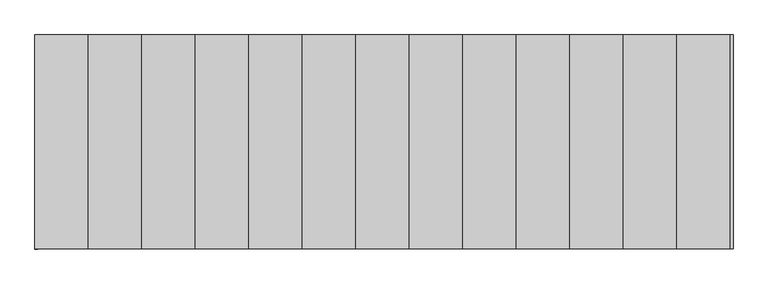
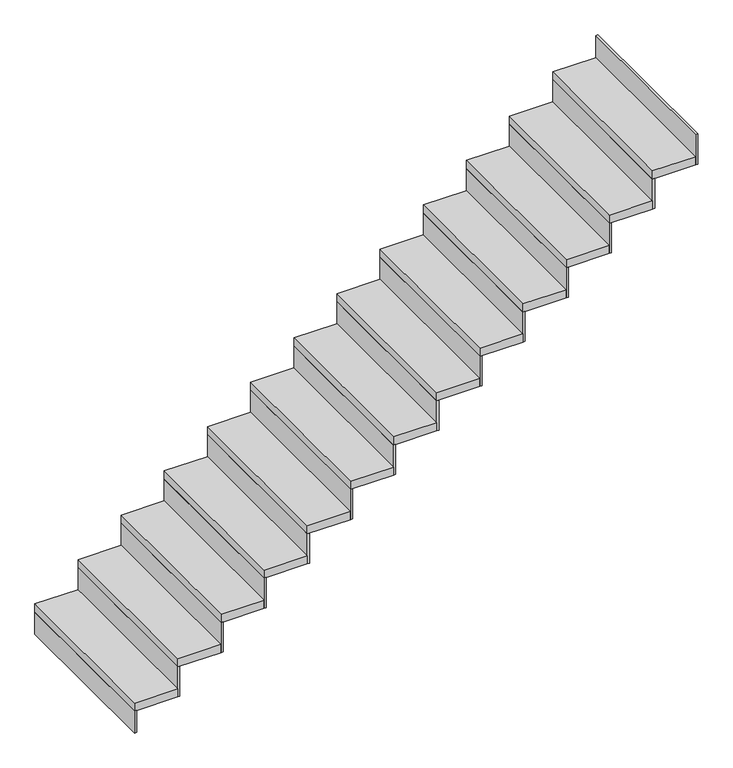
"""IFC4 building model written with IfcOpenShell, lengths in millimetres: stair flight geometry."""

from ifc_helpers import new_model, si_unit, frame, origin, origin_with_axes, place, context, project, spatial, polyline, outline, extrude, source, transform, mapped, element, save


def stair_flight_32c0183b(model_context):
    return source(origin(), model_context, "Body", "SweptSolid", [
        extrude(outline(polyline([(15204.8210972, -7049.7973932), (15192.3210972, -7049.7973932), (15192.3210972, -6049.7973932), (15204.8210972, -6049.7973932), (15204.8210972, -7049.7973932)])), origin_with_axes(), (0.0, 0.0, 1.0), 133.8839286),
        extrude(outline(polyline([(15442.3210972, -6049.7973932), (15442.3210972, -7049.7973932), (15192.3210972, -7049.7973932), (15192.3210972, -6049.7973932), (15442.3210972, -6049.7973932)])), frame((0.0, 0.0, 133.8839286), z_axis=(0.0, 0.0, 1.0), x_axis=(1.0, 0.0, 0.0)), (0.0, 0.0, 1.0), 50.0),
        extrude(outline(polyline([(15454.8210972, -7049.7973932), (15442.3210972, -7049.7973932), (15442.3210972, -6049.7973932), (15454.8210972, -6049.7973932), (15454.8210972, -7049.7973932)])), frame((0.0, 0.0, 133.8839286), z_axis=(0.0, 0.0, 1.0), x_axis=(1.0, 0.0, 0.0)), (0.0, 0.0, 1.0), 183.8839286),
        extrude(outline(polyline([(15692.3210972, -6049.7973932), (15692.3210972, -7049.7973932), (15442.3210972, -7049.7973932), (15442.3210972, -6049.7973932), (15692.3210972, -6049.7973932)])), frame((0.0, 0.0, 317.7678571), z_axis=(0.0, 0.0, 1.0), x_axis=(1.0, 0.0, 0.0)), (0.0, 0.0, 1.0), 50.0),
        extrude(outline(polyline([(15704.8210972, -7049.7973932), (15692.3210972, -7049.7973932), (15692.3210972, -6049.7973932), (15704.8210972, -6049.7973932), (15704.8210972, -7049.7973932)])), frame((0.0, 0.0, 317.7678571), z_axis=(0.0, 0.0, 1.0), x_axis=(1.0, 0.0, 0.0)), (0.0, 0.0, 1.0), 183.8839286),
        extrude(outline(polyline([(15942.3210972, -6049.7973932), (15942.3210972, -7049.7973932), (15692.3210972, -7049.7973932), (15692.3210972, -6049.7973932), (15942.3210972, -6049.7973932)])), frame((0.0, 0.0, 501.6517857), z_axis=(0.0, 0.0, 1.0), x_axis=(1.0, 0.0, 0.0)), (0.0, 0.0, 1.0), 50.0),
        extrude(outline(polyline([(15954.8210972, -7049.7973932), (15942.3210972, -7049.7973932), (15942.3210972, -6049.7973932), (15954.8210972, -6049.7973932), (15954.8210972, -7049.7973932)])), frame((0.0, 0.0, 501.6517857), z_axis=(0.0, 0.0, 1.0), x_axis=(1.0, 0.0, 0.0)), (0.0, 0.0, 1.0), 183.8839286),
        extrude(outline(polyline([(16192.3210972, -6049.7973932), (16192.3210972, -7049.7973932), (15942.3210972, -7049.7973932), (15942.3210972, -6049.7973932), (16192.3210972, -6049.7973932)])), frame((0.0, 0.0, 685.5357143), z_axis=(0.0, 0.0, 1.0), x_axis=(1.0, 0.0, 0.0)), (0.0, 0.0, 1.0), 50.0),
        extrude(outline(polyline([(16204.8210972, -7049.7973932), (16192.3210972, -7049.7973932), (16192.3210972, -6049.7973932), (16204.8210972, -6049.7973932), (16204.8210972, -7049.7973932)])), frame((0.0, 0.0, 685.5357143), z_axis=(0.0, 0.0, 1.0), x_axis=(1.0, 0.0, 0.0)), (0.0, 0.0, 1.0), 183.8839286),
        extrude(outline(polyline([(16442.3210972, -6049.7973932), (16442.3210972, -7049.7973932), (16192.3210972, -7049.7973932), (16192.3210972, -6049.7973932), (16442.3210972, -6049.7973932)])), frame((0.0, 0.0, 869.4196429), z_axis=(0.0, 0.0, 1.0), x_axis=(1.0, 0.0, 0.0)), (0.0, 0.0, 1.0), 50.0),
        extrude(outline(polyline([(16454.8210972, -7049.7973932), (16442.3210972, -7049.7973932), (16442.3210972, -6049.7973932), (16454.8210972, -6049.7973932), (16454.8210972, -7049.7973932)])), frame((0.0, 0.0, 869.4196429), z_axis=(0.0, 0.0, 1.0), x_axis=(1.0, 0.0, 0.0)), (0.0, 0.0, 1.0), 183.8839286),
        extrude(outline(polyline([(16692.3210972, -6049.7973932), (16692.3210972, -7049.7973932), (16442.3210972, -7049.7973932), (16442.3210972, -6049.7973932), (16692.3210972, -6049.7973932)])), frame((0.0, 0.0, 1053.3035714), z_axis=(0.0, 0.0, 1.0), x_axis=(1.0, 0.0, 0.0)), (0.0, 0.0, 1.0), 50.0),
        extrude(outline(polyline([(16704.8210972, -7049.7973932), (16692.3210972, -7049.7973932), (16692.3210972, -6049.7973932), (16704.8210972, -6049.7973932), (16704.8210972, -7049.7973932)])), frame((0.0, 0.0, 1053.3035714), z_axis=(0.0, 0.0, 1.0), x_axis=(1.0, 0.0, 0.0)), (0.0, 0.0, 1.0), 183.8839286),
        extrude(outline(polyline([(16942.3210972, -6049.7973932), (16942.3210972, -7049.7973932), (16692.3210972, -7049.7973932), (16692.3210972, -6049.7973932), (16942.3210972, -6049.7973932)])), frame((0.0, 0.0, 1237.1875), z_axis=(0.0, 0.0, 1.0), x_axis=(1.0, 0.0, 0.0)), (0.0, 0.0, 1.0), 50.0),
        extrude(outline(polyline([(16954.8210972, -7049.7973932), (16942.3210972, -7049.7973932), (16942.3210972, -6049.7973932), (16954.8210972, -6049.7973932), (16954.8210972, -7049.7973932)])), frame((0.0, 0.0, 1237.1875), z_axis=(0.0, 0.0, 1.0), x_axis=(1.0, 0.0, 0.0)), (0.0, 0.0, 1.0), 183.8839286),
        extrude(outline(polyline([(17192.3210972, -6049.7973932), (17192.3210972, -7049.7973932), (16942.3210972, -7049.7973932), (16942.3210972, -6049.7973932), (17192.3210972, -6049.7973932)])), frame((0.0, 0.0, 1421.0714286), z_axis=(0.0, 0.0, 1.0), x_axis=(1.0, 0.0, 0.0)), (0.0, 0.0, 1.0), 50.0),
        extrude(outline(polyline([(17204.8210972, -7049.7973932), (17192.3210972, -7049.7973932), (17192.3210972, -6049.7973932), (17204.8210972, -6049.7973932), (17204.8210972, -7049.7973932)])), frame((0.0, 0.0, 1421.0714286), z_axis=(0.0, 0.0, 1.0), x_axis=(1.0, 0.0, 0.0)), (0.0, 0.0, 1.0), 183.8839286),
        extrude(outline(polyline([(17442.3210972, -6049.7973932), (17442.3210972, -7049.7973932), (17192.3210972, -7049.7973932), (17192.3210972, -6049.7973932), (17442.3210972, -6049.7973932)])), frame((0.0, 0.0, 1604.9553571), z_axis=(0.0, 0.0, 1.0), x_axis=(1.0, 0.0, 0.0)), (0.0, 0.0, 1.0), 50.0),
        extrude(outline(polyline([(17454.8210972, -7049.7973932), (17442.3210972, -7049.7973932), (17442.3210972, -6049.7973932), (17454.8210972, -6049.7973932), (17454.8210972, -7049.7973932)])), frame((0.0, 0.0, 1604.9553571), z_axis=(0.0, 0.0, 1.0), x_axis=(1.0, 0.0, 0.0)), (0.0, 0.0, 1.0), 183.8839286),
        extrude(outline(polyline([(17692.3210972, -6049.7973932), (17692.3210972, -7049.7973932), (17442.3210972, -7049.7973932), (17442.3210972, -6049.7973932), (17692.3210972, -6049.7973932)])), frame((0.0, 0.0, 1788.8392857), z_axis=(0.0, 0.0, 1.0), x_axis=(1.0, 0.0, 0.0)), (0.0, 0.0, 1.0), 50.0),
        extrude(outline(polyline([(17704.8210972, -7049.7973932), (17692.3210972, -7049.7973932), (17692.3210972, -6049.7973932), (17704.8210972, -6049.7973932), (17704.8210972, -7049.7973932)])), frame((0.0, 0.0, 1788.8392857), z_axis=(0.0, 0.0, 1.0), x_axis=(1.0, 0.0, 0.0)), (0.0, 0.0, 1.0), 183.8839286),
        extrude(outline(polyline([(17942.3210972, -6049.7973932), (17942.3210972, -7049.7973932), (17692.3210972, -7049.7973932), (17692.3210972, -6049.7973932), (17942.3210972, -6049.7973932)])), frame((0.0, 0.0, 1972.7232143), z_axis=(0.0, 0.0, 1.0), x_axis=(1.0, 0.0, 0.0)), (0.0, 0.0, 1.0), 50.0),
        extrude(outline(polyline([(17954.8210972, -7049.7973932), (17942.3210972, -7049.7973932), (17942.3210972, -6049.7973932), (17954.8210972, -6049.7973932), (17954.8210972, -7049.7973932)])), frame((0.0, 0.0, 1972.7232143), z_axis=(0.0, 0.0, 1.0), x_axis=(1.0, 0.0, 0.0)), (0.0, 0.0, 1.0), 183.8839286),
        extrude(outline(polyline([(18192.3210972, -6049.7973932), (18192.3210972, -7049.7973932), (17942.3210972, -7049.7973932), (17942.3210972, -6049.7973932), (18192.3210972, -6049.7973932)])), frame((0.0, 0.0, 2156.6071429), z_axis=(0.0, 0.0, 1.0), x_axis=(1.0, 0.0, 0.0)), (0.0, 0.0, 1.0), 50.0),
        extrude(outline(polyline([(18204.8210972, -7049.7973932), (18192.3210972, -7049.7973932), (18192.3210972, -6049.7973932), (18204.8210972, -6049.7973932), (18204.8210972, -7049.7973932)])), frame((0.0, 0.0, 2156.6071429), z_axis=(0.0, 0.0, 1.0), x_axis=(1.0, 0.0, 0.0)), (0.0, 0.0, 1.0), 183.8839286),
        extrude(outline(polyline([(18454.8210972, -7049.7973932), (18442.3210972, -7049.7973932), (18442.3210972, -6049.7973932), (18454.8210972, -6049.7973932), (18454.8210972, -7049.7973932)])), frame((0.0, 0.0, 2340.4910714), z_axis=(0.0, 0.0, 1.0), x_axis=(1.0, 0.0, 0.0)), (0.0, 0.0, 1.0), 183.8839286),
        extrude(outline(polyline([(18442.3210972, -6049.7973932), (18442.3210972, -7049.7973932), (18192.3210972, -7049.7973932), (18192.3210972, -6049.7973932), (18442.3210972, -6049.7973932)])), frame((0.0, 0.0, 2340.4910714), z_axis=(0.0, 0.0, 1.0), x_axis=(1.0, 0.0, 0.0)), (0.0, 0.0, 1.0), 50.0),
    ])


if __name__ == "__main__":
    model = new_model("IFC4")
    model_context = context("Model", 3, world=origin())
    ifc_project = project(units=[si_unit("LENGTHUNIT", "METRE", prefix="MILLI")], contexts=[model_context])
    site = spatial("IfcSite", under=ifc_project)
    building = spatial("IfcBuilding", under=site)
    placement = place(None, origin())
    stair_flight_shape = stair_flight_32c0183b(model_context)
    element("IfcStairFlight", 1, at=placement, inside=building, context=model_context, shape_type="MappedRepresentation", body=[
        mapped(stair_flight_shape, transform((0.0, 0.0, 0.0), x_axis=(1.0, 0.0, 0.0), y_axis=(0.0, 1.0, 0.0), z_axis=(0.0, 0.0, 1.0))),
    ])
    save(model, "model.ifc")
